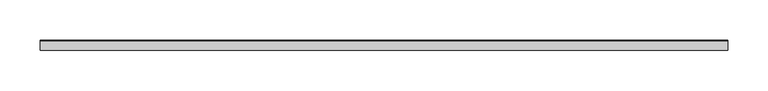
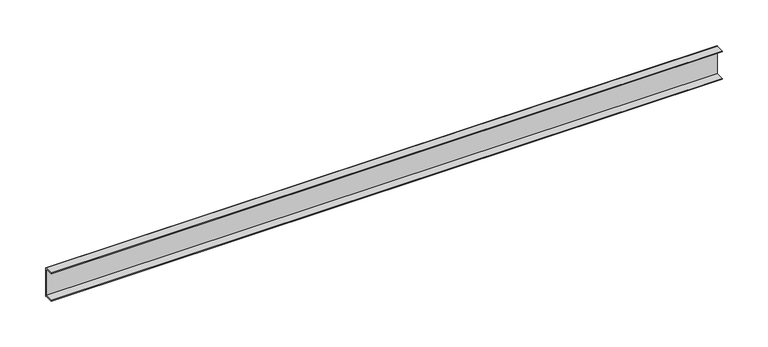
"""IFC4 building model written with IfcOpenShell, lengths in millimetres: proxy geometry."""

from ifc_helpers import new_model, si_unit, point, frame, frame_2d, origin, place, context, project, spatial, polyline, circle_curve, trimmed, segment, composite_curve, outline, extrude, source, transform, mapped, element, save


def mechanical_equipment_d98aeaf8(model_context):
    return source(origin(), model_context, "Body", "SweptSolid", [
        extrude(outline(composite_curve([segment(polyline([(-6.0, 36.8), (-6.0, 38.0), (4.8, 38.0)]), True, "CONTINUOUS"), segment(trimmed(circle_curve(frame_2d((4.8, 36.8)), 1.2), [point((4.8, 38.0))], [point((6.0, 36.8))], False, "CARTESIAN"), True, "CONTINUOUS"), segment(polyline([(6.0, 36.8), (6.0, 1.2)]), True, "CONTINUOUS"), segment(trimmed(circle_curve(frame_2d((4.8, 1.2)), 1.2), [point((6.0, 1.2))], [point((4.8, 0.0))], False, "CARTESIAN"), True, "CONTINUOUS"), segment(polyline([(4.8, 0.0), (-6.0, 0.0), (-6.0, 1.2), (4.8, 1.2), (4.8, 36.8), (-6.0, 36.8)]), True, "CONTINUOUS")], self_intersect=False)), frame((0.0, 0.0, 0.0), z_axis=(1.0, 0.0, 0.0), x_axis=(0.0, 1.0, 0.0)), (0.0, 0.0, 1.0), 850.0),
    ])


if __name__ == "__main__":
    model = new_model("IFC4")
    model_context = context("Model", 3, world=origin())
    ifc_project = project(units=[si_unit("LENGTHUNIT", "METRE", prefix="MILLI")], contexts=[model_context])
    site = spatial("IfcSite", under=ifc_project)
    building = spatial("IfcBuilding", under=site)
    placement = place(None, origin())
    mechanical_equipment_shape = mechanical_equipment_d98aeaf8(model_context)
    element("IfcBuildingElementProxy", 1, Name="Mechanical Equipment", at=placement, inside=building, context=model_context, shape_type="MappedRepresentation", body=[
        mapped(mechanical_equipment_shape, transform((0.0, 0.0, 0.0), x_axis=(1.0, 0.0, 0.0), y_axis=(0.0, 1.0, 0.0), z_axis=(0.0, 0.0, 1.0))),
    ])
    save(model, "model.ifc")
